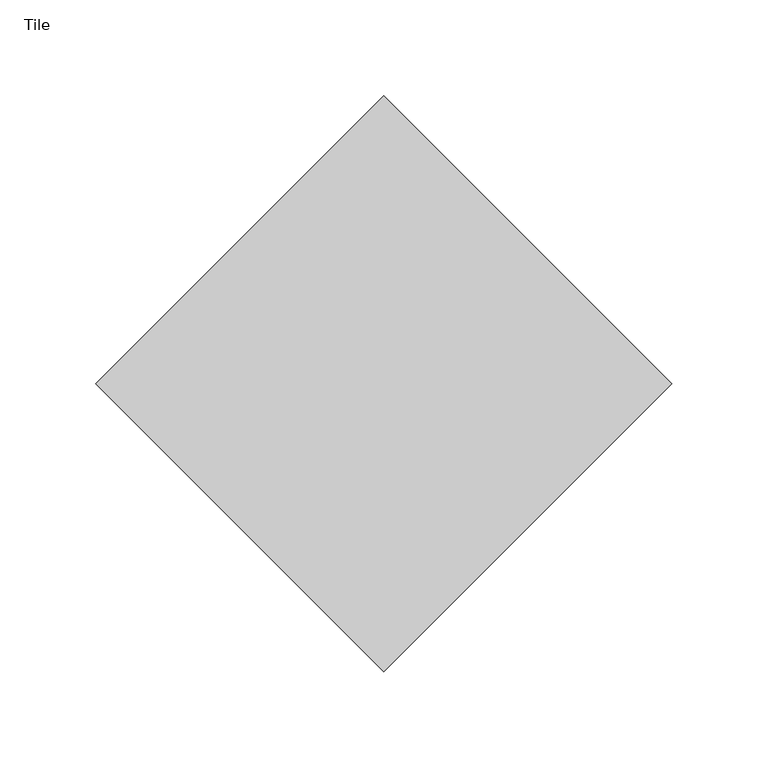
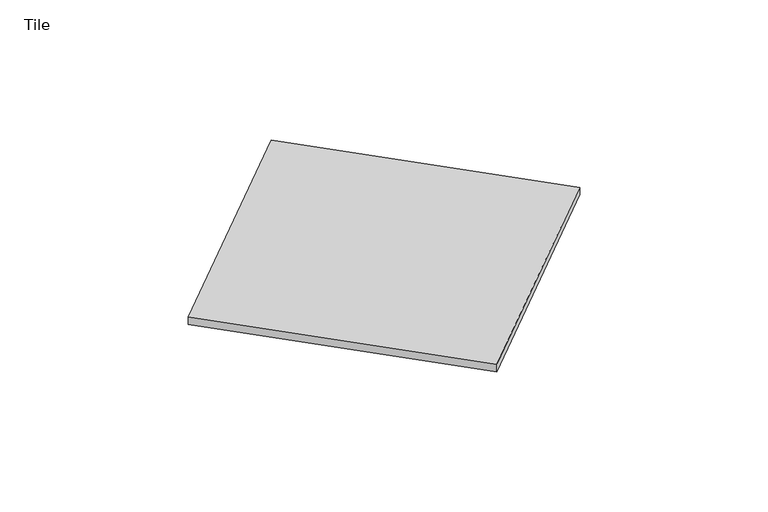
"""IFC4 building model written with IfcOpenShell, lengths in millimetres: proxy geometry, Tile."""

from ifc_helpers import new_model, si_unit, origin, origin_with_axes, place, context, project, spatial, polyline, outline, extrude, source, transform, mapped, element, save


def tile_7e7d5095(model_context):
    return source(origin(), model_context, "Body", "SweptSolid", [
        extrude(outline(polyline([(150.0, -150.0), (0.0, 0.0), (150.0, 150.0), (300.0, 0.0), (150.0, -150.0)])), origin_with_axes(), (0.0, 0.0, 1.0), 6.0),
    ])


if __name__ == "__main__":
    model = new_model("IFC4")
    model_context = context("Model", 3, world=origin())
    ifc_project = project(units=[si_unit("LENGTHUNIT", "METRE", prefix="MILLI")], contexts=[model_context])
    site = spatial("IfcSite", under=ifc_project)
    building = spatial("IfcBuilding", under=site)
    placement = place(None, origin())
    tile_shape = tile_7e7d5095(model_context)
    element("IfcBuildingElementProxy", 1, Name="Tile", ObjectType="Tile", at=placement, inside=building, context=model_context, shape_type="MappedRepresentation", body=[
        mapped(tile_shape, transform((0.0, 0.0, 0.0), x_axis=(1.0, 0.0, 0.0), y_axis=(0.0, 1.0, 0.0), z_axis=(0.0, 0.0, 1.0))),
    ])
    save(model, "model.ifc")
